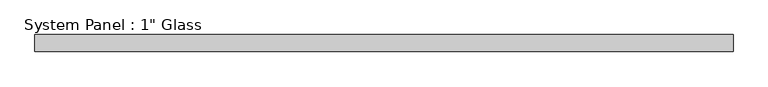
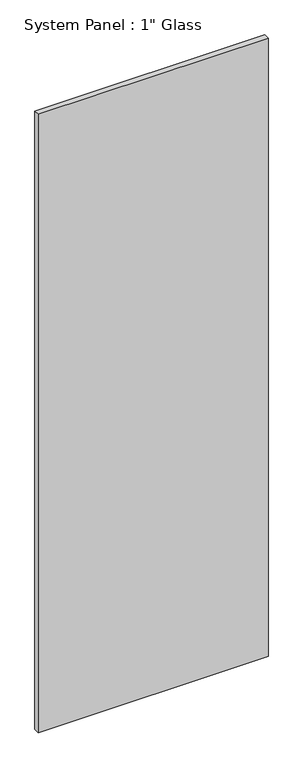
"""IFC4 building model written with IfcOpenShell, lengths in millimetres: plate geometry."""

from ifc_helpers import new_model, si_unit, origin, origin_with_axes, place, context, project, spatial, polyline, outline, extrude, source, transform, mapped, element, save


def plate_9e0f1745(model_context):
    return source(origin(), model_context, "Body", "SweptSolid", [
        extrude(outline(polyline([(519.90625, -12.7), (-519.90625, -12.7), (-519.90625, 12.7), (519.90625, 12.7), (519.90625, -12.7)])), origin_with_axes(), (0.0, 0.0, 1.0), 2959.1),
    ])


if __name__ == "__main__":
    model = new_model("IFC4")
    model_context = context("Model", 3, world=origin())
    ifc_project = project(units=[si_unit("LENGTHUNIT", "METRE", prefix="MILLI")], contexts=[model_context])
    site = spatial("IfcSite", under=ifc_project)
    building = spatial("IfcBuilding", under=site)
    placement = place(None, origin())
    plate_shape = plate_9e0f1745(model_context)
    element("IfcPlate", 1, ObjectType="System Panel : 1\" Glass", at=placement, inside=building, context=model_context, shape_type="MappedRepresentation", body=[
        mapped(plate_shape, transform((0.0, 0.0, 0.0), x_axis=(1.0, 0.0, 0.0), y_axis=(0.0, 1.0, 0.0), z_axis=(0.0, 0.0, 1.0))),
    ])
    save(model, "model.ifc")
